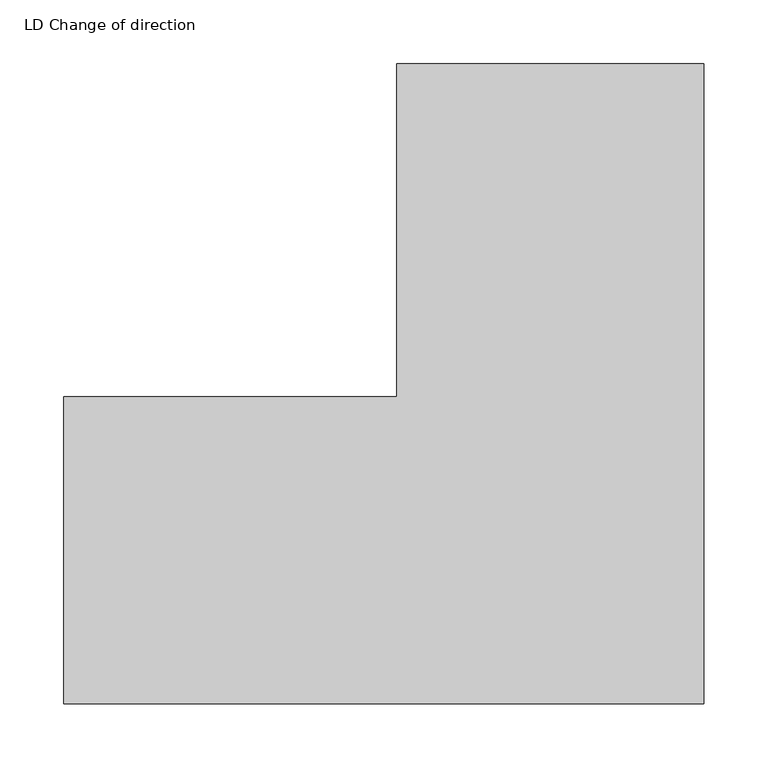
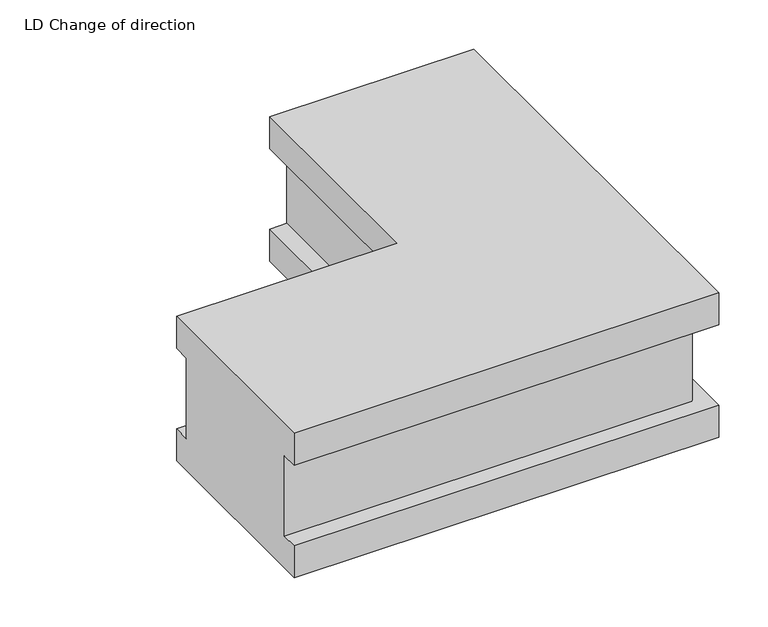
"""IFC4 building model written with IfcOpenShell, lengths in millimetres: proxy geometry, LD Change of direction."""

import ifcopenshell
import ifcopenshell.guid

model = None  # the IFC model being written
_history = None  # IfcOwnerHistory: only IFC2X3 demands one
_inside = {}  # id of a spatial element -> (the spatial element, [elements in it])
_under = {}  # id of a project, library or spatial element -> (it, [spatial elements below it])
_declared = {}  # id of a project -> (the project, [libraries it declares])
_typed = {}  # id of a type object -> (the type object, [elements of that type])
_made_of = {}  # id of a material, layer set ... -> (it, [elements and type objects made of it])


def new_model(schema):
    """Start an empty IFC model of exactly this schema.

    Asked for "IFC4X3", IfcOpenShell would pick the latest addendum, in which some entities
    have other attributes; the version numbers below select the first issue.
    IFC2X3 requires an IfcOwnerHistory on every rooted entity: one is made here for all.
    """
    global model, _history
    if schema == "IFC4X3":
        model = ifcopenshell.file(schema_version=(4, 3, 0, 0))
    else:
        model = ifcopenshell.file(schema=schema)
    _inside.clear()
    _under.clear()
    _declared.clear()
    _typed.clear()
    _made_of.clear()
    _history = None
    if model.schema == "IFC2X3":
        org = make("IfcOrganization", Name="unknown")
        user = make(
            "IfcPersonAndOrganization",
            ThePerson=make("IfcPerson", FamilyName="unknown"),
            TheOrganization=org,
        )
        app = make(
            "IfcApplication",
            ApplicationDeveloper=org,
            Version="unknown",
            ApplicationFullName="unknown",
            ApplicationIdentifier="unknown",
        )
        _history = make(
            "IfcOwnerHistory",
            OwningUser=user,
            OwningApplication=app,
            ChangeAction="ADDED",
            CreationDate=0,
        )
    return model


def make(cls, **values):
    """One entity of the class cls with the attributes given. An attribute that is None is left unset."""
    return model.create_entity(
        cls, **{name: value for name, value in values.items() if value is not None}
    )


def rooted(cls, **values):
    """An entity with a GlobalId (a new one), such as an element, a storey or a relation."""
    return make(cls, GlobalId=ifcopenshell.guid.new(), OwnerHistory=_history, **values)


def si_unit(unit_type, name, prefix=None):
    """IfcSIUnit, for example si_unit("LENGTHUNIT", "METRE", prefix="MILLI")."""
    return make("IfcSIUnit", UnitType=unit_type, Prefix=prefix, Name=name)


def assignment(units):
    """IfcUnitAssignment: the units of a project."""
    return None if units is None else make("IfcUnitAssignment", Units=units)


def point(xyz):
    """IfcCartesianPoint."""
    return None if xyz is None else make("IfcCartesianPoint", Coordinates=xyz)


def direction(xyz):
    """IfcDirection."""
    return None if xyz is None else make("IfcDirection", DirectionRatios=xyz)


def frame(location, z_axis=None, x_axis=None):
    """IfcAxis2Placement3D, a coordinate frame: its origin and axes. An axis left out is left unset."""
    return make(
        "IfcAxis2Placement3D",
        Location=point(location),
        Axis=direction(z_axis),
        RefDirection=direction(x_axis),
    )


def origin():
    """The frame at (0, 0, 0) with its axes left unset."""
    return frame((0.0, 0.0, 0.0))


def place(relative_to, where):
    """IfcLocalPlacement: puts the frame where relative to a parent placement (None: the world)."""
    return make(
        "IfcLocalPlacement", PlacementRelTo=relative_to, RelativePlacement=where
    )


def context(
    kind, dimensions, precision=None, world=None, true_north=None, identifier=None
):
    """IfcGeometricRepresentationContext, for example the 3D "Model" context."""
    return make(
        "IfcGeometricRepresentationContext",
        ContextIdentifier=identifier,
        ContextType=kind,
        CoordinateSpaceDimension=dimensions,
        Precision=precision,
        WorldCoordinateSystem=world,
        TrueNorth=true_north,
    )


def project(units=None, contexts=None):
    """IfcProject with its units and contexts."""
    return rooted(
        "IfcProject",
        Name="project",
        RepresentationContexts=contexts,
        UnitsInContext=assignment(units),
    )


def spatial(cls, under=None, at=None, **own):
    """A site, building, storey or space (cls), placed at a placement, below another one or the project."""
    s = rooted(cls, ObjectPlacement=at, **own)
    if under is not None:
        _under.setdefault(under.id(), (under, []))[1].append(s)
    return s


def faces_of(points, faces, orient=None, outer=None):
    """IfcFace entities. A face is a list of loops; a loop is a list of indices into points, from 0.

    orient and outer hold one flag for each loop. By default every Orientation is true, the
    first loop of a face is its IfcFaceOuterBound and the others are IfcFaceBound.
    """
    made = []
    for i, loops in enumerate(faces):
        bounds = []
        for j, loop in enumerate(loops):
            is_outer = j == 0 if outer is None else outer[i][j]
            bounds.append(
                make(
                    "IfcFaceOuterBound" if is_outer else "IfcFaceBound",
                    Bound=make("IfcPolyLoop", Polygon=[points[k] for k in loop]),
                    Orientation=True if orient is None else orient[i][j],
                )
            )
        made.append(make("IfcFace", Bounds=bounds))
    return made


def faceted_brep(points, faces, orient=None, outer=None, voids=None):
    """IfcFacetedBrep: a solid bounded by flat faces; with voids (closed shells), ...WithVoids."""
    shared = [point(p) for p in points]
    hull = make("IfcClosedShell", CfsFaces=faces_of(shared, faces, orient, outer))
    if voids is None:
        return make("IfcFacetedBrep", Outer=hull)
    return make(
        "IfcFacetedBrepWithVoids",
        Outer=hull,
        Voids=[
            make(cls, CfsFaces=faces_of(shared, fs, o, b)) for cls, fs, o, b in voids
        ],
    )


def shape(context_of_items, identifier, shape_type, items):
    """IfcShapeRepresentation: the items that make up one representation, for example the "Body"."""
    return make(
        "IfcShapeRepresentation",
        ContextOfItems=context_of_items,
        RepresentationIdentifier=identifier,
        RepresentationType=shape_type,
        Items=items,
    )


def source(mapping_origin, context_of_items, identifier, shape_type, items):
    """IfcRepresentationMap: a shape defined once, which mapped items show again and again."""
    return make(
        "IfcRepresentationMap",
        MappingOrigin=mapping_origin,
        MappedRepresentation=shape(context_of_items, identifier, shape_type, items),
    )


def transform(
    local_origin,
    x_axis=None,
    y_axis=None,
    z_axis=None,
    scale=None,
    scale2=None,
    scale3=None,
    uniform=True,
):
    """IfcCartesianTransformationOperator3D, or its non-uniform kind. x_axis, y_axis, z_axis: its Axis1, 2, 3."""
    if uniform:
        return make(
            "IfcCartesianTransformationOperator3D",
            Axis1=direction(x_axis),
            Axis2=direction(y_axis),
            LocalOrigin=point(local_origin),
            Scale=scale,
            Axis3=direction(z_axis),
        )
    return make(
        "IfcCartesianTransformationOperator3DnonUniform",
        Axis1=direction(x_axis),
        Axis2=direction(y_axis),
        LocalOrigin=point(local_origin),
        Scale=scale,
        Axis3=direction(z_axis),
        Scale2=scale2,
        Scale3=scale3,
    )


def mapped(mapping_source, mapping_target):
    """IfcMappedItem: shows the shape of a source again, moved by a transform."""
    return make(
        "IfcMappedItem", MappingSource=mapping_source, MappingTarget=mapping_target
    )


def made_of(thing, what):
    """Note that an element or type object is made of a material, layer set ...; save() writes the relation."""
    if what is not None:
        _made_of.setdefault(what.id(), (what, []))[1].append(thing)
    return thing


def element(
    cls,
    number,
    at=None,
    inside=None,
    cuts=None,
    type_object=None,
    material=None,
    context=None,
    identifier="Body",
    shape_type=None,
    held_by="IfcProductDefinitionShape",
    body=None,
    shapes=None,
    **own,
):
    """One element of the class cls, such as IfcWall. Its Tag is "e" and its number.

    at: its placement. inside: the storey or other place that contains it. cuts: it is an
    opening in that element (IfcRelVoidsElement). A single representation is given by context,
    identifier, shape_type and body (its items); several are given by shapes. held_by: the class
    of the entity that holds the representations. save() writes the other relations.
    """
    e = rooted(cls, Tag="e%d" % number, ObjectPlacement=at, **own)
    if body is not None:
        shapes = [shape(context, identifier, shape_type, body)]
    if shapes is not None:
        e.Representation = make(held_by, Representations=shapes)
    if inside is not None:
        _inside.setdefault(inside.id(), (inside, []))[1].append(e)
    if cuts is not None:
        rooted(
            "IfcRelVoidsElement", RelatingBuildingElement=cuts, RelatedOpeningElement=e
        )
    if type_object is not None:
        _typed.setdefault(type_object.id(), (type_object, []))[1].append(e)
    return made_of(e, material)


def aggregate(whole, parts):
    """IfcRelAggregates: a whole, such as a stair, and the parts it consists of."""
    return rooted("IfcRelAggregates", RelatingObject=whole, RelatedObjects=parts)


def save(model, path):
    """Write the relations noted so far, then the file.

    IfcRelAggregates (storeys below a building ...), IfcRelContainedInSpatialStructure (elements
    in a storey), IfcRelDefinesByType, IfcRelAssociatesMaterial and IfcRelDeclares: one each for
    every whole, place, type object, material and project.
    """
    for whole, parts in _under.values():
        aggregate(whole, parts)
    for where, things in _inside.values():
        rooted(
            "IfcRelContainedInSpatialStructure",
            RelatedElements=things,
            RelatingStructure=where,
        )
    for kind, things in _typed.values():
        rooted("IfcRelDefinesByType", RelatedObjects=things, RelatingType=kind)
    for what, things in _made_of.values():
        rooted("IfcRelAssociatesMaterial", RelatedObjects=things, RelatingMaterial=what)
    for by, libraries in _declared.values():
        rooted("IfcRelDeclares", RelatingContext=by, RelatedDefinitions=libraries)
    model.write(path)


def ld_change_of_direction_859e528a(model_context):
    return source(origin(), model_context, "Body", "Brep", [
        faceted_brep([(0.0, 240.0, 180.0), (0.0, 240.0, 140.0), (0.0, 220.0, 140.0), (0.0, 220.0, 40.0), (0.0, 240.0, 40.0), (0.0, 240.0, 0.0), (0.0, 0.0, 0.0), (0.0, 0.0, 40.0), (0.0, 20.0, 40.0), (0.0, 20.0, 140.0), (0.0, 0.0, 140.0), (0.0, 0.0, 180.0), (260.0, 500.0, 180.0), (500.0, 500.0, 180.0), (500.0, 500.0, 140.0), (480.0, 500.0, 140.0), (480.0, 500.0, 40.0), (500.0, 500.0, 40.0), (500.0, 500.0, 0.0), (260.0, 500.0, 0.0), (260.0, 500.0, 40.0), (280.0, 500.0, 40.0), (280.0, 500.0, 140.0), (260.0, 500.0, 140.0), (260.0, 240.0, 180.0), (260.0, 240.0, 140.0), (280.0, 220.0, 140.0), (280.0, 220.0, 40.0), (260.0, 240.0, 40.0), (260.0, 240.0, 0.0), (500.0, 0.0, 0.0), (500.0, 0.0, 40.0), (480.0, 20.0, 40.0), (480.0, 20.0, 140.0), (500.0, 0.0, 140.0), (500.0, 0.0, 180.0)], [[[0, 1, 2, 3, 4, 5, 6, 7, 8, 9, 10, 11]], [[12, 13, 14, 15, 16, 17, 18, 19, 20, 21, 22, 23]], [[1, 0, 24, 25]], [[2, 1, 25, 23, 22, 26]], [[3, 2, 26, 27]], [[4, 3, 27, 21, 20, 28]], [[5, 4, 28, 29]], [[6, 5, 29, 19, 18, 30]], [[7, 6, 30, 31]], [[8, 7, 31, 17, 16, 32]], [[9, 8, 32, 33]], [[10, 9, 33, 15, 14, 34]], [[11, 10, 34, 35]], [[0, 11, 35, 13, 12, 24]], [[25, 24, 12, 23]], [[27, 26, 22, 21]], [[29, 28, 20, 19]], [[31, 30, 18, 17]], [[33, 32, 16, 15]], [[35, 34, 14, 13]]]),
    ])


if __name__ == "__main__":
    model = new_model("IFC4")
    model_context = context("Model", 3, world=origin())
    ifc_project = project(units=[si_unit("LENGTHUNIT", "METRE", prefix="MILLI")], contexts=[model_context])
    site = spatial("IfcSite", under=ifc_project)
    building = spatial("IfcBuilding", under=site)
    placement = place(None, origin())
    ld_change_of_direction_shape = ld_change_of_direction_859e528a(model_context)
    element("IfcBuildingElementProxy", 1, Name="LD Change of direction", ObjectType="LD Change of direction", at=placement, inside=building, context=model_context, shape_type="MappedRepresentation", body=[
        mapped(ld_change_of_direction_shape, transform((0.0, 0.0, 0.0), x_axis=(1.0, 0.0, 0.0), y_axis=(0.0, 1.0, 0.0), z_axis=(0.0, 0.0, 1.0))),
    ])
    save(model, "model.ifc")
